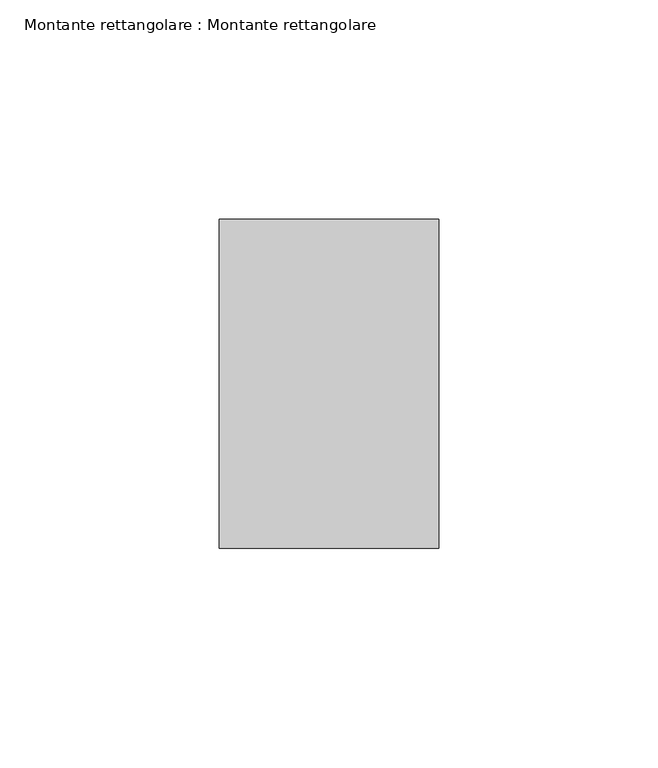
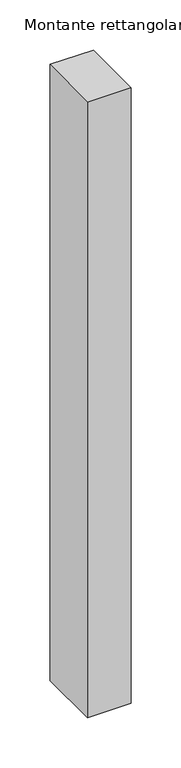
"""IFC4 building model written with IfcOpenShell, lengths in millimetres: member geometry, Montante rettangolare : Montante rettangolare."""

from ifc_helpers import new_model, si_unit, origin, place, context, project, spatial, faceted_brep, source, transform, mapped, element, save


def montante_rettangolare_montante_rettangolare_a49a98bb(model_context):
    return source(origin(), model_context, "Body", "Brep", [
        faceted_brep([(-50.0, 37.5, 0.1644319), (0.0, 37.5, 0.1644319), (0.0, 37.5, -750.1644319), (-50.0, 37.5, -750.1644318), (-50.0, -37.5, -0.164914), (-50.0, -37.3898575, -749.8355696), (0.0, -37.5, -0.164914), (0.0, -37.5, -749.8350861)], [[[0, 1, 2, 3]], [[4, 0, 3, 5]], [[6, 4, 5, 7]], [[1, 6, 7, 2]], [[1, 0, 4, 6]], [[2, 7, 5, 3]]]),
    ])


if __name__ == "__main__":
    model = new_model("IFC4")
    model_context = context("Model", 3, world=origin())
    ifc_project = project(units=[si_unit("LENGTHUNIT", "METRE", prefix="MILLI")], contexts=[model_context])
    site = spatial("IfcSite", under=ifc_project)
    building = spatial("IfcBuilding", under=site)
    placement = place(None, origin())
    montante_rettangolare_montante_rettangolare_shape = montante_rettangolare_montante_rettangolare_a49a98bb(model_context)
    element("IfcMember", 1, ObjectType="Montante rettangolare : Montante rettangolare", at=placement, inside=building, context=model_context, shape_type="MappedRepresentation", body=[
        mapped(montante_rettangolare_montante_rettangolare_shape, transform((0.0, 0.0, 0.0), x_axis=(1.0, 0.0, 0.0), y_axis=(0.0, 1.0, 0.0), z_axis=(0.0, 0.0, 1.0))),
    ])
    save(model, "model.ifc")
